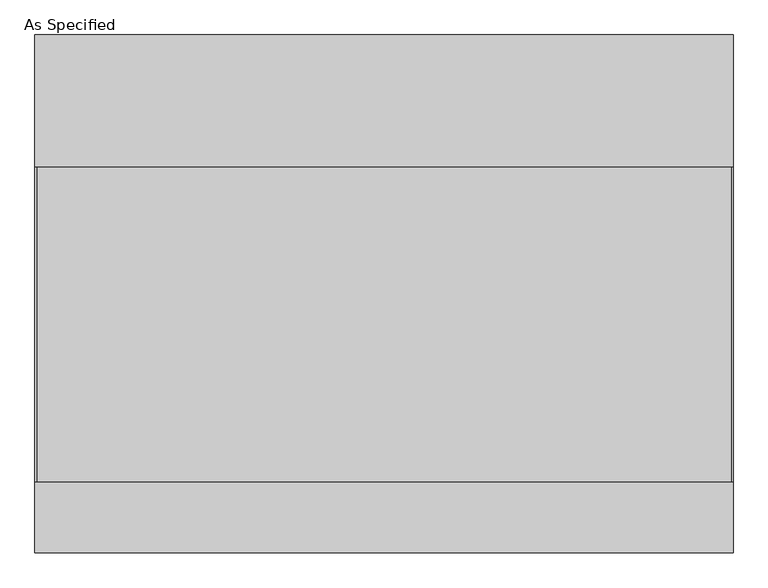
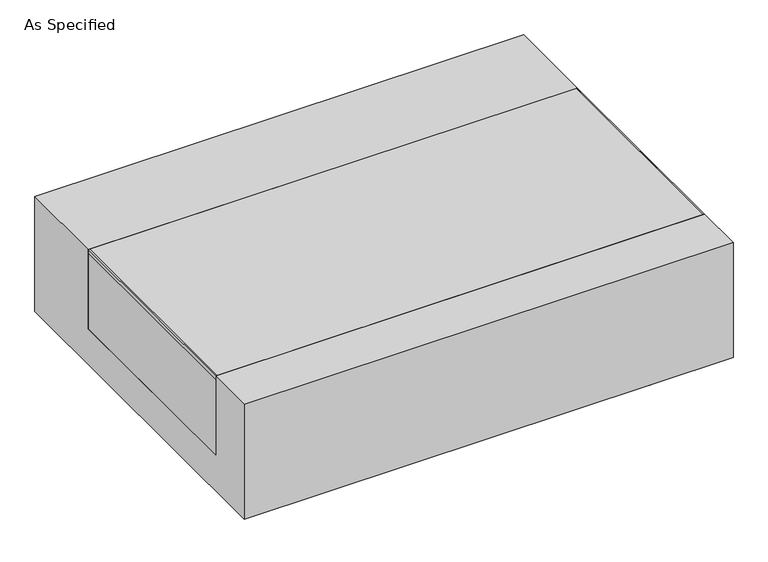
"""IFC4 building model written with IfcOpenShell, lengths in millimetres: proxy geometry, As Specified."""

from ifc_helpers import new_model, si_unit, point, frame, frame_2d, origin, place, context, project, spatial, polyline, circle_curve, trimmed, segment, composite_curve, outline, extrude, source, transform, mapped, element, save


def as_specified_72a079cb(model_context):
    return source(origin(), model_context, "Body", "SweptSolid", [
        extrude(outline(composite_curve([segment(trimmed(circle_curve(frame_2d((694.4125, -702.475)), 10.5), [point((694.4125, -712.975))], [point((694.4125, -691.975))], False, "CARTESIAN"), True, "CONTINUOUS"), segment(trimmed(circle_curve(frame_2d((694.4125, -702.475)), 10.5), [point((694.4125, -691.975))], [point((694.4125, -712.975))], False, "CARTESIAN"), True, "CONTINUOUS")], self_intersect=False)), frame((0.0, 0.0, -562.225), z_axis=(0.0, 0.0, 1.0), x_axis=(1.0, 0.0, 0.0)), (0.0, 0.0, 1.0), 32.0),
        extrude(outline(polyline([(-1008.85625, -546.1), (-1014.4125, -546.1), (-1014.4125, 368.3), (-1008.85625, 368.3), (-1008.85625, -546.1)])), frame((0.0, 0.0, -39.6875), z_axis=(0.0, 0.0, 1.0), x_axis=(1.0, 0.0, 0.0)), (0.0, 0.0, 1.0), 14.2875),
        extrude(outline(polyline([(1010.44375, 368.3), (1014.4125, 368.3), (1014.4125, -546.1), (1010.44375, -546.1), (1010.44375, 368.3)])), frame((0.0, 0.0, -39.6875), z_axis=(0.0, 0.0, 1.0), x_axis=(1.0, 0.0, 0.0)), (0.0, 0.0, 1.0), 14.2875),
        extrude(outline(polyline([(1014.4125, 368.3), (1014.4125, -546.1), (-1014.4125, -546.1), (-1014.4125, 368.3), (1014.4125, 368.3)])), frame((0.0, 0.0, -373.0625), z_axis=(0.0, 0.0, 1.0), x_axis=(1.0, 0.0, 0.0)), (0.0, 0.0, 1.0), 347.6625),
        extrude(outline(polyline([(752.475, -25.4), (752.475, -530.225), (-752.475, -530.225), (-752.475, -25.4), (-546.1, -25.4), (-546.1, -373.0625), (368.3, -373.0625), (368.3, -25.4), (752.475, -25.4)])), frame((-1014.4125, 0.0, 0.0), z_axis=(1.0, 0.0, 0.0), x_axis=(0.0, 1.0, 0.0)), (0.0, 0.0, 1.0), 2028.825),
    ])


if __name__ == "__main__":
    model = new_model("IFC4")
    model_context = context("Model", 3, world=origin())
    ifc_project = project(units=[si_unit("LENGTHUNIT", "METRE", prefix="MILLI")], contexts=[model_context])
    site = spatial("IfcSite", under=ifc_project)
    building = spatial("IfcBuilding", under=site)
    placement = place(None, origin())
    as_specified_shape = as_specified_72a079cb(model_context)
    element("IfcBuildingElementProxy", 1, Name="As Specified", ObjectType="As Specified", at=placement, inside=building, context=model_context, shape_type="MappedRepresentation", body=[
        mapped(as_specified_shape, transform((0.0, 0.0, 0.0), x_axis=(1.0, 0.0, 0.0), y_axis=(0.0, 1.0, 0.0), z_axis=(0.0, 0.0, 1.0))),
    ])
    save(model, "model.ifc")
